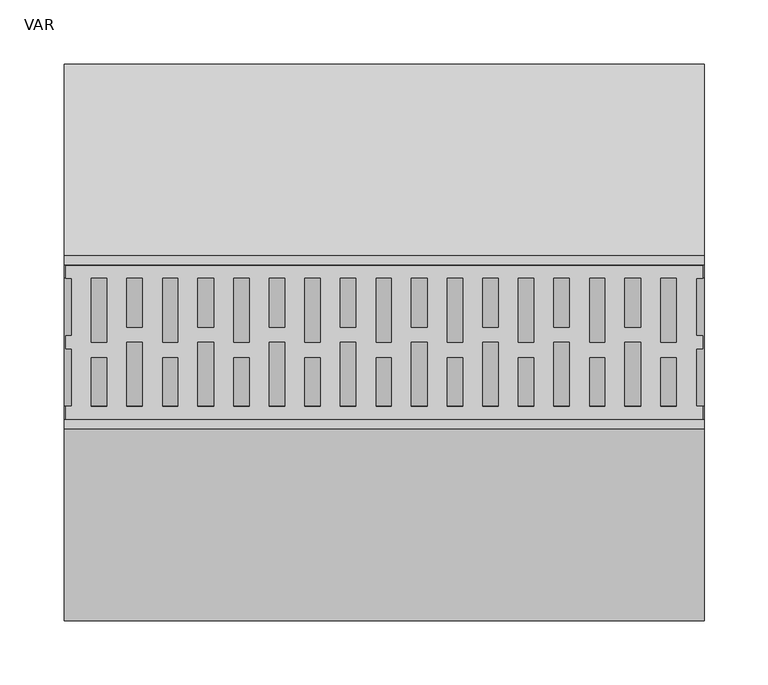
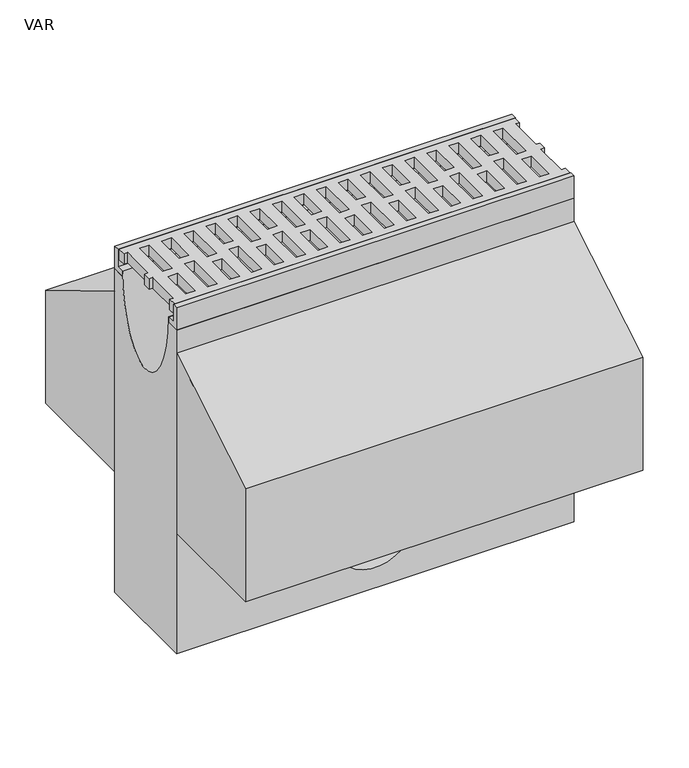
"""IFC4 building model written with IfcOpenShell, lengths in millimetres: flow terminal geometry, VAR."""

from ifc_helpers import new_model, si_unit, point, frame, origin, place, context, project, spatial, polyline, circle_curve, ellipse_curve, trimmed, outline, extrude, source, transform, mapped, element, save
from ifc_brep_helpers import plane_surface, revolved_surface, extruded_surface, advanced_brep


def var_b54f24cf(model_context):
    return source(origin(), model_context, "Body", "SolidModel", [
        extrude(outline(polyline([(499.0, 50.0), (493.7871589, 50.0), (493.7871589, 5.0), (499.0, 5.0), (499.0, -5.0), (493.9604202, -5.0), (493.9604202, -50.0), (499.0, -50.0), (499.0, -60.0), (1.5, -60.0), (1.5, -50.0), (6.0847381, -50.0), (6.0847381, -5.0), (1.5, -5.0), (1.5, 5.0), (6.0847381, 5.0), (6.0847381, 50.0), (1.5, 50.0), (1.5, 60.0), (499.0, 60.0), (499.0, 50.0)]), holes=[polyline([(478.2, 50.0), (466.2429028, 50.0), (466.2429028, 0.0), (478.2, 0.0), (478.2, 50.0)]), polyline([(450.4, 50.0), (438.2305238, 50.0), (438.2305238, 11.948473), (450.4, 11.948473), (450.4, 50.0)]), polyline([(422.6, 50.0), (410.6429028, 50.0), (410.6429028, 0.0), (422.6, 0.0), (422.6, 50.0)]), polyline([(394.8, 50.0), (382.6305238, 50.0), (382.6305238, 11.948473), (394.8, 11.948473), (394.8, 50.0)]), polyline([(367.0, 50.0), (355.0429028, 50.0), (355.0429028, 0.0), (367.0, 0.0), (367.0, 50.0)]), polyline([(339.2, 50.0), (327.0305238, 50.0), (327.0305238, 11.948473), (339.2, 11.948473), (339.2, 50.0)]), polyline([(311.4, 50.0), (299.4429028, 50.0), (299.4429028, 0.0), (311.4, 0.0), (311.4, 50.0)]), polyline([(283.6, 50.0), (271.4305238, 50.0), (271.4305238, 11.948473), (283.6, 11.948473), (283.6, 50.0)]), polyline([(255.8, 50.0), (243.8429028, 50.0), (243.8429028, 0.0), (255.8, 0.0), (255.8, 50.0)]), polyline([(228.0, 50.0), (215.8305238, 50.0), (215.8305238, 11.948473), (228.0, 11.948473), (228.0, 50.0)]), polyline([(200.2, 50.0), (188.2429028, 50.0), (188.2429028, 0.0), (200.2, 0.0), (200.2, 50.0)]), polyline([(172.4, 50.0), (160.2305238, 50.0), (160.2305238, 11.948473), (172.4, 11.948473), (172.4, 50.0)]), polyline([(144.6, 50.0), (132.6429028, 50.0), (132.6429028, 0.0), (144.6, 0.0), (144.6, 50.0)]), polyline([(116.8, 50.0), (104.6305238, 50.0), (104.6305238, 11.948473), (116.8, 11.948473), (116.8, 50.0)]), polyline([(89.0, 50.0), (77.0429028, 50.0), (77.0429028, 0.0), (89.0, 0.0), (89.0, 50.0)]), polyline([(61.2, 50.0), (49.0305238, 50.0), (49.0305238, 11.948473), (61.2, 11.948473), (61.2, 50.0)]), polyline([(33.4, 50.0), (21.4429028, 50.0), (21.4429028, 0.0), (33.4, 0.0), (33.4, 50.0)]), polyline([(49.0305238, -50.0), (61.2, -50.0), (61.2, 0.0), (49.0305238, 0.0), (49.0305238, -50.0)]), polyline([(104.6305238, -50.0), (116.8, -50.0), (116.8, 0.0), (104.6305238, 0.0), (104.6305238, -50.0)]), polyline([(160.2305238, -50.0), (172.4, -50.0), (172.4, 0.0), (160.2305238, 0.0), (160.2305238, -50.0)]), polyline([(215.8305238, -50.0), (228.0, -50.0), (228.0, 0.0), (215.8305238, 0.0), (215.8305238, -50.0)]), polyline([(271.4305238, -50.0), (283.6, -50.0), (283.6, 0.0), (271.4305238, 0.0), (271.4305238, -50.0)]), polyline([(327.0305238, -50.0), (339.2, -50.0), (339.2, 0.0), (327.0305238, 0.0), (327.0305238, -50.0)]), polyline([(382.6305238, -50.0), (394.8, -50.0), (394.8, 0.0), (382.6305238, 0.0), (382.6305238, -50.0)]), polyline([(438.2305238, -50.0), (450.4, -50.0), (450.4, 0.0), (438.2305238, 0.0), (438.2305238, -50.0)]), polyline([(478.2, -50.0), (478.2, -11.948473), (466.2, -11.948473), (466.2, -50.0), (478.2, -50.0)]), polyline([(422.6, -50.0), (422.6, -11.948473), (410.6, -11.948473), (410.6, -50.0), (422.6, -50.0)]), polyline([(367.0, -50.0), (367.0, -11.948473), (355.0, -11.948473), (355.0, -50.0), (367.0, -50.0)]), polyline([(311.4, -50.0), (311.4, -11.948473), (299.4, -11.948473), (299.4, -50.0), (311.4, -50.0)]), polyline([(255.8, -50.0), (255.8, -11.948473), (243.8, -11.948473), (243.8, -50.0), (255.8, -50.0)]), polyline([(200.2, -50.0), (200.2, -11.948473), (188.2, -11.948473), (188.2, -50.0), (200.2, -50.0)]), polyline([(144.6, -50.0), (144.6, -11.948473), (132.6, -11.948473), (132.6, -50.0), (144.6, -50.0)]), polyline([(89.0, -50.0), (89.0, -11.948473), (77.0, -11.948473), (77.0, -50.0), (89.0, -50.0)]), polyline([(33.4, -50.0), (33.4, -11.948473), (21.4, -11.948473), (21.4, -50.0), (33.4, -50.0)])]), frame((0.0, 0.0, -14.0), z_axis=(0.0, 0.0, 1.0), x_axis=(1.0, 0.0, 0.0)), (0.0, 0.0, 1.0), 14.0),
        advanced_brep(
        [(0.0, 50.0, -30.0), (0.0, 67.5, -30.0), (0.0, 67.5, -460.0), (0.0, -67.5, -460.0), (0.0, -67.5, -30.0), (0.0, -50.0, -30.0), (0.0, -50.0, -23.0), (0.0, 50.0, -23.0), (500.0, 50.0, -30.0), (500.0, 50.0, -23.0), (500.0, -50.0, -23.0), (500.0, -50.0, -30.0), (500.0, -67.5, -30.0), (500.0, -67.5, -460.0), (500.0, 67.5, -460.0), (500.0, 67.5, -30.0), (200.0, -67.5, -383.0), (300.0, -67.5, -383.0), (300.0, -50.0, -383.0), (200.0, -50.0, -383.0)],
        [
            (0, 1),
            (1, 2),
            (2, 3),
            (3, 4),
            (4, 5),
            (5, 6),
            (6, 7, ellipse_curve(frame((0.0, 0.0, -23.0), z_axis=(1.0, 0.0, 0.0), x_axis=(0.0, 1.0, 0.0)), 50.0, 100.0)),
            (7, 0),
            (8, 9),
            (9, 10, ellipse_curve(frame((500.0, 0.0, -23.0), z_axis=(-1.0, 0.0, 0.0), x_axis=(0.0, 1.0, 0.0)), 50.0, 100.0)),
            (10, 11),
            (11, 12),
            (12, 13),
            (13, 14),
            (14, 15),
            (15, 8),
            (7, 9),
            (8, 0),
            (6, 10),
            (5, 11),
            (4, 12),
            (3, 13),
            (16, 17, circle_curve(frame((250.0, -67.5, -383.0), z_axis=(0.0, 1.0, 0.0), x_axis=(-1.0, 0.0, 0.0)), 50.0)),
            (17, 16, circle_curve(frame((250.0, -67.5, -383.0), z_axis=(0.0, 1.0, 0.0), x_axis=(-1.0, 0.0, 0.0)), 50.0)),
            (2, 14),
            (1, 15),
            (18, 19, circle_curve(frame((250.0, -50.0, -383.0), z_axis=(0.0, -1.0, 0.0), x_axis=(-1.0, 0.0, 0.0)), 50.0)),
            (19, 18, circle_curve(frame((250.0, -50.0, -383.0), z_axis=(0.0, -1.0, 0.0), x_axis=(-1.0, 0.0, 0.0)), 50.0)),
            (19, 16),
            (17, 18),
        ],
        [
            plane_surface(frame((0.0, 0.0, -135.75), z_axis=(-1.0, 0.0, 0.0), x_axis=(0.0, 0.0, 1.0))),
            plane_surface(frame((500.0, 0.0, -135.75), z_axis=(1.0, 0.0, 0.0), x_axis=(0.0, 0.0, 1.0))),
            plane_surface(frame((500.0, 50.0, -26.5), z_axis=(0.0, 1.0, 0.0), x_axis=(0.0, 0.0, 1.0))),
            extruded_surface(trimmed(ellipse_curve(frame((0.0, 0.0, -23.0), z_axis=(-1.0, 0.0, 0.0), x_axis=(0.0, 1.0, 0.0)), 50.0, 100.0), [point((0.0, 50.0, -23.0))], [point((0.0, -50.0, -23.0))], True, "CARTESIAN"), (500.0, 0.0, 0.0), 500.0),
            plane_surface(frame((500.0, -50.0, -26.5), z_axis=(0.0, -1.0, 0.0), x_axis=(0.0, 0.0, -1.0))),
            plane_surface(frame((500.0, -58.75, -30.0), z_axis=(0.0, 0.0, 1.0), x_axis=(0.0, -1.0, 0.0))),
            plane_surface(frame((500.0, -67.5, -245.0), z_axis=(0.0, -1.0, 0.0), x_axis=(0.0, 0.0, -1.0))),
            plane_surface(frame((500.0, 0.0, -460.0), z_axis=(0.0, 0.0, -1.0), x_axis=(0.0, 1.0, 0.0))),
            plane_surface(frame((500.0, 67.5, -245.0), z_axis=(0.0, 1.0, 0.0), x_axis=(0.0, 0.0, 1.0))),
            plane_surface(frame((500.0, 58.75, -30.0), z_axis=(0.0, 0.0, 1.0), x_axis=(0.0, -1.0, 0.0))),
            plane_surface(frame((200.0, -50.0, -383.0), z_axis=(0.0, -1.0, 0.0), x_axis=(0.0, 0.0, -1.0))),
            revolved_surface(polyline([(200.0, -67.5, -383.0), (200.0, -50.0, -383.0)]), (250.0, -50.0, -383.0), (0.0, -1.0, 0.0)),
        ],
        [
            (0, [[1, 2, 3, 4, 5, 6, 7, 8]]),
            (1, [[9, 10, 11, 12, 13, 14, 15, 16]]),
            (2, [[17, -9, 18, -8]]),
            (3, [[19, -10, -17, -7]]),
            (4, [[20, -11, -19, -6]]),
            (5, [[21, -12, -20, -5]]),
            (6, [[22, -13, -21, -4], [23, 24]]),
            (7, [[25, -14, -22, -3]]),
            (8, [[26, -15, -25, -2]]),
            (9, [[-18, -16, -26, -1]]),
            (10, [[27, 28]]),
            (11, [[29, -24, 30, -28]]),
            (11, [[-30, -23, -29, -27]]),
        ],
    ),
        extrude(outline(polyline([(60.5, 0.0), (67.5, 0.0), (67.5, -30.0), (50.0, -30.0), (50.0, -23.0), (60.5, -23.0), (60.5, 0.0)])), frame((0.0, 0.0, 0.0), z_axis=(1.0, 0.0, 0.0), x_axis=(0.0, 1.0, 0.0)), (0.0, 0.0, 1.0), 500.0),
        extrude(outline(polyline([(-60.5, 0.0), (-60.5, -23.0), (-50.0, -23.0), (-50.0, -30.0), (-67.5, -30.0), (-67.5, 0.0), (-60.5, 0.0)])), frame((0.0, 0.0, 0.0), z_axis=(1.0, 0.0, 0.0), x_axis=(0.0, 1.0, 0.0)), (0.0, 0.0, 1.0), 500.0),
        extrude(outline(polyline([(67.5, -150.0), (67.5, -60.0), (217.5, -150.0), (217.5, -300.0), (-217.5, -300.0), (-217.5, -150.0), (-67.5, -60.0), (-67.5, -150.0), (67.5, -150.0)])), frame((0.0, 0.0, 0.0), z_axis=(1.0, 0.0, 0.0), x_axis=(0.0, 1.0, 0.0)), (0.0, 0.0, 1.0), 500.0),
    ])


if __name__ == "__main__":
    model = new_model("IFC4")
    model_context = context("Model", 3, world=origin())
    ifc_project = project(units=[si_unit("LENGTHUNIT", "METRE", prefix="MILLI")], contexts=[model_context])
    site = spatial("IfcSite", under=ifc_project)
    building = spatial("IfcBuilding", under=site)
    placement = place(None, origin())
    var_shape = var_b54f24cf(model_context)
    element("IfcFlowTerminal", 1, ObjectType="VAR", at=placement, inside=building, context=model_context, shape_type="MappedRepresentation", body=[
        mapped(var_shape, transform((0.0, 0.0, 0.0), x_axis=(1.0, 0.0, 0.0), y_axis=(0.0, 1.0, 0.0), z_axis=(0.0, 0.0, 1.0))),
    ])
    save(model, "model.ifc")
